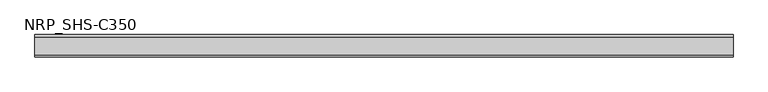
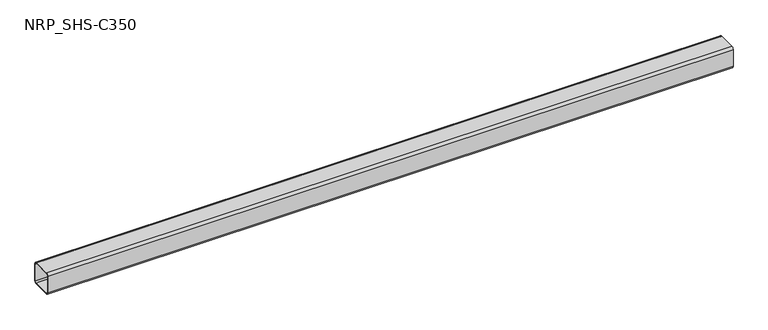
"""IFC4 building model written with IfcOpenShell, lengths in millimetres: member geometry, NRP_SHS-C350."""

from ifc_helpers import new_model, si_unit, point, frame, frame_2d, origin, place, context, project, spatial, polyline, circle_curve, trimmed, segment, composite_curve, outline, extrude, source, transform, mapped, element, save


def nrp_shs_c350_33bdd2c8(model_context):
    return source(origin(), model_context, "Body", "SweptSolid", [
        extrude(outline(composite_curve([segment(polyline([(44.5, 35.75), (44.5, -35.75)]), True, "CONTINUOUS"), segment(trimmed(circle_curve(frame_2d((35.75, -35.75)), 8.75), [point((44.5, -35.75))], [point((35.75, -44.5))], False, "CARTESIAN"), True, "CONTINUOUS"), segment(polyline([(35.75, -44.5), (-35.75, -44.5)]), True, "CONTINUOUS"), segment(trimmed(circle_curve(frame_2d((-35.75, -35.75)), 8.75), [point((-35.75, -44.5))], [point((-44.5, -35.75))], False, "CARTESIAN"), True, "CONTINUOUS"), segment(polyline([(-44.5, -35.75), (-44.5, 35.75)]), True, "CONTINUOUS"), segment(trimmed(circle_curve(frame_2d((-35.75, 35.75)), 8.75), [point((-44.5, 35.75))], [point((-35.75, 44.5))], False, "CARTESIAN"), True, "CONTINUOUS"), segment(polyline([(-35.75, 44.5), (35.75, 44.5)]), True, "CONTINUOUS"), segment(trimmed(circle_curve(frame_2d((35.75, 35.75)), 8.75), [point((35.75, 44.5))], [point((44.5, 35.75))], False, "CARTESIAN"), True, "CONTINUOUS")], self_intersect=False), holes=[composite_curve([segment(trimmed(circle_curve(frame_2d((-35.75, 35.75)), 5.25), [point((-35.75, 41.0))], [point((-41.0, 35.75))], True, "CARTESIAN"), True, "CONTINUOUS"), segment(polyline([(-41.0, 35.75), (-41.0, -35.75)]), True, "CONTINUOUS"), segment(trimmed(circle_curve(frame_2d((-35.75, -35.75)), 5.25), [point((-41.0, -35.75))], [point((-35.75, -41.0))], True, "CARTESIAN"), True, "CONTINUOUS"), segment(polyline([(-35.75, -41.0), (35.75, -41.0)]), True, "CONTINUOUS"), segment(trimmed(circle_curve(frame_2d((35.75, -35.75)), 5.25), [point((35.75, -41.0))], [point((41.0, -35.75))], True, "CARTESIAN"), True, "CONTINUOUS"), segment(polyline([(41.0, -35.75), (41.0, 35.75)]), True, "CONTINUOUS"), segment(trimmed(circle_curve(frame_2d((35.75, 35.75)), 5.25), [point((41.0, 35.75))], [point((35.75, 41.0))], True, "CARTESIAN"), True, "CONTINUOUS"), segment(polyline([(35.75, 41.0), (-35.75, 41.0)]), True, "CONTINUOUS")], self_intersect=False)]), frame((-1349.5, 0.0, 0.0), z_axis=(1.0, 0.0, 0.0), x_axis=(0.0, 1.0, 0.0)), (0.0, 0.0, 1.0), 2762.0),
    ])


if __name__ == "__main__":
    model = new_model("IFC4")
    model_context = context("Model", 3, world=origin())
    ifc_project = project(units=[si_unit("LENGTHUNIT", "METRE", prefix="MILLI")], contexts=[model_context])
    site = spatial("IfcSite", under=ifc_project)
    building = spatial("IfcBuilding", under=site)
    placement = place(None, origin())
    nrp_shs_c350_shape = nrp_shs_c350_33bdd2c8(model_context)
    element("IfcMember", 1, ObjectType="NRP_SHS-C350", at=placement, inside=building, context=model_context, shape_type="MappedRepresentation", body=[
        mapped(nrp_shs_c350_shape, transform((0.0, 0.0, 0.0), x_axis=(1.0, 0.0, 0.0), y_axis=(0.0, 1.0, 0.0), z_axis=(0.0, 0.0, 1.0))),
    ])
    save(model, "model.ifc")
